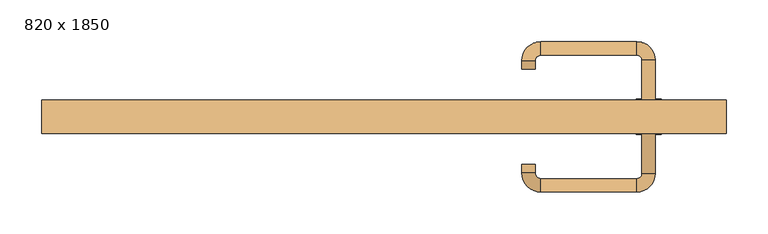
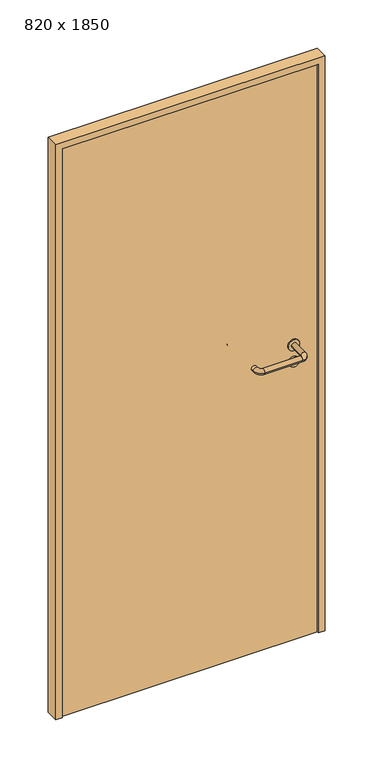
"""IFC4 building model written with IfcOpenShell, lengths in millimetres: door geometry, 820 x 1850."""

from ifc_helpers import new_model, si_unit, point, frame, frame_2d, origin, origin_with_axes, place, context, project, spatial, polyline, circle_curve, ellipse_curve, trimmed, segment, composite_curve, outline, extrude, source, transform, mapped, element, save
from ifc_brep_helpers import plane_surface, cylinder_surface, revolved_surface, advanced_brep


def door_820_x_1850_39f0f4f2(model_context):
    return source(origin(), model_context, "Body", "SolidModel", [
        extrude(outline(composite_curve([segment(trimmed(circle_curve(frame_2d((897.3605726, 317.0)), 15.0), [point((897.3605726, 332.0))], [point((897.3605726, 302.0))], False, "CARTESIAN"), True, "CONTINUOUS"), segment(trimmed(circle_curve(frame_2d((897.3605726, 317.0)), 15.0), [point((897.3605726, 302.0))], [point((897.3605726, 332.0))], False, "CARTESIAN"), True, "CONTINUOUS")], self_intersect=False), holes=[composite_curve([segment(trimmed(circle_curve(frame_2d((892.5833211, 316.9398032)), 2.0), [point((892.5833211, 318.9398032))], [point((892.5833211, 314.9398032))], True, "CARTESIAN"), True, "CONTINUOUS"), segment(polyline([(892.5833211, 314.9398032), (902.5833211, 314.9398032)]), True, "CONTINUOUS"), segment(trimmed(circle_curve(frame_2d((902.5833211, 316.9398032)), 2.0), [point((902.5833211, 314.9398032))], [point((902.5833211, 318.9398032))], True, "CARTESIAN"), True, "CONTINUOUS"), segment(polyline([(902.5833211, 318.9398032), (892.5833211, 318.9398032)]), True, "CONTINUOUS")], self_intersect=False)]), frame((0.0, 10.0, 0.0), z_axis=(0.0, 1.0, 0.0), x_axis=(0.0, 0.0, 1.0)), (0.0, 0.0, 1.0), 6.35),
        extrude(outline(composite_curve([segment(trimmed(circle_curve(frame_2d((950.0, 317.0)), 17.526), [point((950.0, 334.526))], [point((950.0, 299.474))], False, "CARTESIAN"), True, "CONTINUOUS"), segment(trimmed(circle_curve(frame_2d((950.0, 317.0)), 17.526), [point((950.0, 299.474))], [point((950.0, 334.526))], False, "CARTESIAN"), True, "CONTINUOUS")], self_intersect=False)), frame((0.0, 10.0, 0.0), z_axis=(0.0, 1.0, 0.0), x_axis=(0.0, 0.0, 1.0)), (0.0, 0.0, 1.0), 3.175),
        advanced_brep(
        [(325.0, 10.0, 950.0), (309.0, 10.0, 950.0), (325.0, 63.0, 950.0), (309.0, 63.0, 950.0), (302.8578644, 69.1421356, 950.0), (302.8578644, 85.1421356, 950.0), (187.8578644, 85.1421356, 950.0), (187.8578644, 69.1421356, 950.0), (181.008622, 62.2928932, 950.0), (165.008622, 62.2928932, 950.0), (165.008622, 52.2928932, 950.0), (181.008622, 52.2928932, 950.0)],
        [
            (0, 1, circle_curve(frame((317.0, 10.0, 950.0), z_axis=(0.0, -1.0, 0.0), x_axis=(-1.0, 0.0, 0.0)), 8.0)),
            (1, 0, circle_curve(frame((317.0, 10.0, 950.0), z_axis=(0.0, -1.0, 0.0), x_axis=(-1.0, 0.0, 0.0)), 8.0)),
            (0, 2),
            (2, 3, circle_curve(frame((317.0, 63.0, 950.0), z_axis=(0.0, -1.0, 0.0), x_axis=(-1.0, 0.0, 0.0)), 8.0)),
            (3, 1),
            (3, 2, circle_curve(frame((317.0, 63.0, 950.0), z_axis=(0.0, -1.0, 0.0), x_axis=(-1.0, 0.0, 0.0)), 8.0)),
            (4, 3, circle_curve(frame((302.8578644, 63.0, 950.0), z_axis=(0.0, 0.0, -1.0), x_axis=(1.0, 0.0, 0.0)), 6.1421356)),
            (2, 5, circle_curve(frame((302.8578644, 63.0, 950.0), z_axis=(0.0, 0.0, 1.0), x_axis=(1.0, 0.0, 0.0)), 22.1421356)),
            (5, 4, circle_curve(frame((302.8578644, 77.1421356, 950.0), z_axis=(1.0, 0.0, 0.0), x_axis=(0.0, -1.0, 0.0)), 8.0)),
            (4, 5, circle_curve(frame((302.8578644, 77.1421356, 950.0), z_axis=(1.0, 0.0, 0.0), x_axis=(0.0, -1.0, 0.0)), 8.0)),
            (5, 6),
            (6, 7, circle_curve(frame((187.8578644, 77.1421356, 950.0), z_axis=(1.0, 0.0, 0.0), x_axis=(0.0, -1.0, 0.0)), 8.0)),
            (7, 4),
            (7, 6, circle_curve(frame((187.8578644, 77.1421356, 950.0), z_axis=(1.0, 0.0, 0.0), x_axis=(0.0, -1.0, 0.0)), 8.0)),
            (8, 7, circle_curve(frame((187.8578644, 62.2928932, 950.0), z_axis=(0.0, 0.0, -1.0), x_axis=(0.0, 1.0, 0.0)), 6.8492424)),
            (6, 9, circle_curve(frame((187.8578644, 62.2928932, 950.0), z_axis=(0.0, 0.0, 1.0), x_axis=(0.0, 1.0, 0.0)), 22.8492424)),
            (9, 8, circle_curve(frame((173.008622, 62.2928932, 950.0), z_axis=(0.0, 1.0, 0.0), x_axis=(1.0, 0.0, 0.0)), 8.0)),
            (8, 9, circle_curve(frame((173.008622, 62.2928932, 950.0), z_axis=(0.0, 1.0, 0.0), x_axis=(1.0, 0.0, 0.0)), 8.0)),
            (10, 11, circle_curve(frame((173.008622, 52.2928932, 950.0), z_axis=(0.0, -1.0, 0.0), x_axis=(1.0, 0.0, 0.0)), 8.0)),
            (11, 10, circle_curve(frame((173.008622, 52.2928932, 950.0), z_axis=(0.0, -1.0, 0.0), x_axis=(1.0, 0.0, 0.0)), 8.0)),
            (9, 10),
            (11, 8),
        ],
        [
            plane_surface(frame((317.0, 10.0, 0.0), z_axis=(0.0, -1.0, 0.0), x_axis=(0.0, 0.0, 1.0))),
            cylinder_surface(frame((317.0, 10.0, 950.0), z_axis=(0.0, -1.0, 0.0), x_axis=(-1.0, 0.0, 0.0)), 8.0),
            revolved_surface(trimmed(ellipse_curve(frame((317.0, 63.0, 950.0), z_axis=(0.0, -1.0, 0.0), x_axis=(-1.0, 0.0, 0.0)), 8.0, 8.0), [point((325.0, 63.0, 950.0))], [point((309.0, 63.0, 950.0))], True, "CARTESIAN"), (302.8578644, 63.0, 0.0), (0.0, 0.0, 1.0)),
            revolved_surface(trimmed(ellipse_curve(frame((317.0, 63.0, 950.0), z_axis=(0.0, -1.0, 0.0), x_axis=(-1.0, 0.0, 0.0)), 8.0, 8.0), [point((309.0, 63.0, 950.0))], [point((325.0, 63.0, 950.0))], True, "CARTESIAN"), (302.8578644, 63.0, 0.0), (0.0, 0.0, 1.0)),
            cylinder_surface(frame((302.8578644, 77.1421356, 950.0), z_axis=(1.0, 0.0, 0.0), x_axis=(0.0, -1.0, 0.0)), 8.0),
            revolved_surface(trimmed(ellipse_curve(frame((187.8578644, 77.1421356, 950.0), z_axis=(1.0, 0.0, 0.0), x_axis=(0.0, -1.0, 0.0)), 8.0, 8.0), [point((187.8578644, 85.1421356, 950.0))], [point((187.8578644, 69.1421356, 950.0))], True, "CARTESIAN"), (187.8578644, 62.2928932, 0.0), (0.0, 0.0, 1.0)),
            revolved_surface(trimmed(ellipse_curve(frame((187.8578644, 77.1421356, 950.0), z_axis=(1.0, 0.0, 0.0), x_axis=(0.0, -1.0, 0.0)), 8.0, 8.0), [point((187.8578644, 69.1421356, 950.0))], [point((187.8578644, 85.1421356, 950.0))], True, "CARTESIAN"), (187.8578644, 62.2928932, 0.0), (0.0, 0.0, 1.0)),
            plane_surface(frame((173.008622, 52.2928932, 0.0), z_axis=(0.0, -1.0, 0.0), x_axis=(0.0, 0.0, 1.0))),
            cylinder_surface(frame((173.008622, 62.2928932, 950.0), z_axis=(0.0, 1.0, 0.0), x_axis=(1.0, 0.0, 0.0)), 8.0),
        ],
        [
            (0, [[1, 2]]),
            (1, [[-1, 3, 4, 5]]),
            (1, [[-2, -5, 6, -3]]),
            (2, [[7, -4, 8, 9]]),
            (3, [[-8, -6, -7, 10]]),
            (4, [[-9, 11, 12, 13]]),
            (4, [[-10, -13, 14, -11]]),
            (5, [[15, -12, 16, 17]]),
            (6, [[-16, -14, -15, 18]]),
            (7, [[19, 20]]),
            (8, [[-17, 21, -20, 22]]),
            (8, [[-18, -22, -19, -21]]),
        ],
    ),
        extrude(outline(composite_curve([segment(trimmed(circle_curve(frame_2d((0.0, 15.0)), 15.0), [point((0.0, 30.0))], [point((0.0, 0.0))], False, "CARTESIAN"), True, "CONTINUOUS"), segment(trimmed(circle_curve(frame_2d((0.0, 15.0)), 15.0), [point((0.0, 0.0))], [point((0.0, 30.0))], False, "CARTESIAN"), True, "CONTINUOUS")], self_intersect=False), holes=[composite_curve([segment(trimmed(circle_curve(frame_2d((-4.7772515, 14.9398032)), 2.0), [point((-4.7772515, 16.9398032))], [point((-4.7772515, 12.9398032))], True, "CARTESIAN"), True, "CONTINUOUS"), segment(polyline([(-4.7772515, 12.9398032), (5.2227485, 12.9398032)]), True, "CONTINUOUS"), segment(trimmed(circle_curve(frame_2d((5.2227485, 14.9398032)), 2.0), [point((5.2227485, 12.9398032))], [point((5.2227485, 16.9398032))], True, "CARTESIAN"), True, "CONTINUOUS"), segment(polyline([(5.2227485, 16.9398032), (-4.7772515, 16.9398032)]), True, "CONTINUOUS")], self_intersect=False)]), frame((302.0, -26.35, 897.3605726), z_axis=(-1.8870575173328306e-12, 1.0, 0.0), x_axis=(0.0, 0.0, 1.0)), (0.0, 0.0, 1.0), 6.35),
        extrude(outline(composite_curve([segment(trimmed(circle_curve(frame_2d((0.0, 17.526)), 17.526), [point((0.0, 35.052))], [point((0.0, 0.0))], False, "CARTESIAN"), True, "CONTINUOUS"), segment(trimmed(circle_curve(frame_2d((0.0, 17.526)), 17.526), [point((0.0, 0.0))], [point((0.0, 35.052))], False, "CARTESIAN"), True, "CONTINUOUS")], self_intersect=False)), frame((299.474, -23.175, 950.0), z_axis=(-1.8870575173328306e-12, 1.0, 0.0), x_axis=(0.0, 0.0, 1.0)), (0.0, 0.0, 1.0), 3.175),
        advanced_brep(
        [(325.0, -20.0, 950.0), (309.0, -20.0, 950.0), (309.0, -73.0, 950.0), (325.0, -73.0, 950.0), (302.8578644, -79.1421356, 950.0), (302.8578644, -95.1421356, 950.0), (187.8578644, -79.1421356, 950.0), (187.8578644, -95.1421356, 950.0), (181.008622, -72.2928932, 950.0), (165.008622, -72.2928932, 950.0), (165.008622, -62.2928932, 950.0), (181.008622, -62.2928932, 950.0)],
        [
            (0, 1, circle_curve(frame((317.0, -20.0, 950.0), z_axis=(-1.888672253512351e-12, 1.0, 0.0), x_axis=(-1.0, -1.888672253512351e-12, 0.0)), 8.0)),
            (1, 0, circle_curve(frame((317.0, -20.0, 950.0), z_axis=(-1.888672253512351e-12, 1.0, 0.0), x_axis=(-1.0, -1.888672253512351e-12, 0.0)), 8.0)),
            (1, 2),
            (2, 3, circle_curve(frame((317.0, -73.0, 950.0), z_axis=(-1.888672253512351e-12, 1.0, 0.0), x_axis=(-1.0, -1.888672253512351e-12, 0.0)), 8.0)),
            (3, 0),
            (3, 2, circle_curve(frame((317.0, -73.0, 950.0), z_axis=(-1.888672253512351e-12, 1.0, 0.0), x_axis=(-1.0, -1.888672253512351e-12, 0.0)), 8.0)),
            (4, 5, circle_curve(frame((302.8578644, -87.1421356, 950.0), z_axis=(1.0, 1.913702061528922e-12, 0.0), x_axis=(-1.913702061528922e-12, 1.0, 0.0)), 8.0)),
            (5, 3, circle_curve(frame((302.8578644, -73.0, 950.0), z_axis=(0.0, 0.0, 1.0), x_axis=(1.0, 1.880717803715015e-12, 0.0)), 22.1421356)),
            (2, 4, circle_curve(frame((302.8578644, -73.0, 950.0), z_axis=(0.0, 0.0, -1.0), x_axis=(1.0, 1.880717803715015e-12, 0.0)), 6.1421356)),
            (5, 4, circle_curve(frame((302.8578644, -87.1421356, 950.0), z_axis=(1.0, 1.913702061528922e-12, 0.0), x_axis=(-1.913702061528922e-12, 1.0, 0.0)), 8.0)),
            (4, 6),
            (6, 7, circle_curve(frame((187.8578644, -87.1421356, 950.0), z_axis=(1.0, 1.913719828541269e-12, 0.0), x_axis=(-1.913719828541269e-12, 1.0, 0.0)), 8.0)),
            (7, 5),
            (7, 6, circle_curve(frame((187.8578644, -87.1421356, 950.0), z_axis=(1.0, 1.913719828541269e-12, 0.0), x_axis=(-1.913719828541269e-12, 1.0, 0.0)), 8.0)),
            (8, 9, circle_curve(frame((173.008622, -72.2928932, 950.0), z_axis=(1.8888942981172756e-12, -1.0, 0.0), x_axis=(1.0, 1.8888942981172756e-12, 0.0)), 8.0)),
            (9, 7, circle_curve(frame((187.8578644, -72.2928932, 950.0), z_axis=(0.0, 0.0, 1.0), x_axis=(1.9120873253494017e-12, -1.0, 0.0)), 22.8492424)),
            (6, 8, circle_curve(frame((187.8578644, -72.2928932, 950.0), z_axis=(0.0, 0.0, -1.0), x_axis=(1.9120873253494017e-12, -1.0, 0.0)), 6.8492424)),
            (9, 8, circle_curve(frame((173.008622, -72.2928932, 950.0), z_axis=(1.890448610351751e-12, -1.0, 0.0), x_axis=(1.0, 1.890448610351751e-12, 0.0)), 8.0)),
            (10, 11, circle_curve(frame((173.008622, -62.2928932, 950.0), z_axis=(-1.8903642334018795e-12, 1.0, 0.0), x_axis=(1.0, 1.8903642334018795e-12, 0.0)), 8.0)),
            (11, 10, circle_curve(frame((173.008622, -62.2928932, 950.0), z_axis=(-1.8903642334018795e-12, 1.0, 0.0), x_axis=(1.0, 1.8903642334018795e-12, 0.0)), 8.0)),
            (8, 11),
            (10, 9),
        ],
        [
            plane_surface(frame((317.0, -20.0, 0.0), z_axis=(-1.8870575173328306e-12, 1.0, 0.0), x_axis=(0.0, 0.0, 1.0))),
            cylinder_surface(frame((317.0, -20.0, 950.0), z_axis=(-1.888672253512351e-12, 1.0, 0.0), x_axis=(-1.0, -1.888672253512351e-12, 0.0)), 8.0),
            revolved_surface(trimmed(ellipse_curve(frame((317.0, -73.0, 950.0), z_axis=(1.8823325398945356e-12, -1.0, 0.0), x_axis=(-1.0, -1.8823325398945356e-12, 0.0)), 8.0, 8.0), [point((325.0, -73.0, 950.0))], [point((309.0, -73.0, 950.0))], True, "CARTESIAN"), (302.8578644, -73.0, 0.0), (0.0, 0.0, 1.0)),
            revolved_surface(trimmed(ellipse_curve(frame((317.0, -73.0, 950.0), z_axis=(1.8823325398945356e-12, -1.0, 0.0), x_axis=(-1.0, -1.8823325398945356e-12, 0.0)), 8.0, 8.0), [point((309.0, -73.0, 950.0))], [point((325.0, -73.0, 950.0))], True, "CARTESIAN"), (302.8578644, -73.0, 0.0), (0.0, 0.0, 1.0)),
            cylinder_surface(frame((302.8578644, -87.1421356, 950.0), z_axis=(1.0, 1.913719828541269e-12, 0.0), x_axis=(-1.913719828541269e-12, 1.0, 0.0)), 8.0),
            revolved_surface(trimmed(ellipse_curve(frame((187.8578644, -87.1421356, 950.0), z_axis=(-1.0, -1.913702061528922e-12, 0.0), x_axis=(-1.913702061528922e-12, 1.0, 0.0)), 8.0, 8.0), [point((187.8578644, -95.1421356, 950.0))], [point((187.8578644, -79.1421356, 950.0))], True, "CARTESIAN"), (187.8578644, -72.2928932, 0.0), (0.0, 0.0, 1.0)),
            revolved_surface(trimmed(ellipse_curve(frame((187.8578644, -87.1421356, 950.0), z_axis=(-1.0, -1.913702061528922e-12, 0.0), x_axis=(-1.913702061528922e-12, 1.0, 0.0)), 8.0, 8.0), [point((187.8578644, -79.1421356, 950.0))], [point((187.8578644, -95.1421356, 950.0))], True, "CARTESIAN"), (187.8578644, -72.2928932, 0.0), (0.0, 0.0, 1.0)),
            plane_surface(frame((173.008622, -62.2928932, 0.0), z_axis=(-1.8887494972223595e-12, 1.0, 0.0), x_axis=(0.0, 0.0, 1.0))),
            cylinder_surface(frame((173.008622, -72.2928932, 950.0), z_axis=(1.8903642334018795e-12, -1.0, 0.0), x_axis=(1.0, 1.8903642334018795e-12, 0.0)), 8.0),
        ],
        [
            (0, [[1, 2]]),
            (1, [[3, 4, 5, -2]]),
            (1, [[-5, 6, -3, -1]]),
            (2, [[7, 8, -4, 9]]),
            (3, [[10, -9, -6, -8]]),
            (4, [[11, 12, 13, -7]]),
            (4, [[-13, 14, -11, -10]]),
            (5, [[15, 16, -12, 17]]),
            (6, [[18, -17, -14, -16]]),
            (7, [[19, 20]]),
            (8, [[21, -19, 22, -15]]),
            (8, [[-22, -20, -21, -18]]),
        ],
    ),
        extrude(outline(polyline([(1830.0, 390.0), (0.0, 390.0), (0.0, 410.0), (1850.0, 410.0), (1850.0, -410.0), (0.0, -410.0), (0.0, -390.0), (1830.0, -390.0), (1830.0, 390.0)])), frame((0.0, -25.0, 0.0), z_axis=(0.0, 1.0, 0.0), x_axis=(0.0, 0.0, 1.0)), (0.0, 0.0, 1.0), 40.0),
        extrude(outline(polyline([(-390.0, -20.0), (-390.0, 10.0), (390.0, 10.0), (390.0, -20.0), (-390.0, -20.0)])), origin_with_axes(), (0.0, 0.0, 1.0), 1830.0),
    ])


if __name__ == "__main__":
    model = new_model("IFC4")
    model_context = context("Model", 3, world=origin())
    ifc_project = project(units=[si_unit("LENGTHUNIT", "METRE", prefix="MILLI")], contexts=[model_context])
    site = spatial("IfcSite", under=ifc_project)
    building = spatial("IfcBuilding", under=site)
    placement = place(None, origin())
    door_820_x_1850_shape = door_820_x_1850_39f0f4f2(model_context)
    element("IfcDoor", 1, ObjectType="820 x 1850", at=placement, inside=building, context=model_context, shape_type="MappedRepresentation", body=[
        mapped(door_820_x_1850_shape, transform((0.0, 0.0, 0.0), x_axis=(1.0, 0.0, 0.0), y_axis=(0.0, 1.0, 0.0), z_axis=(0.0, 0.0, 1.0))),
    ])
    save(model, "model.ifc")
